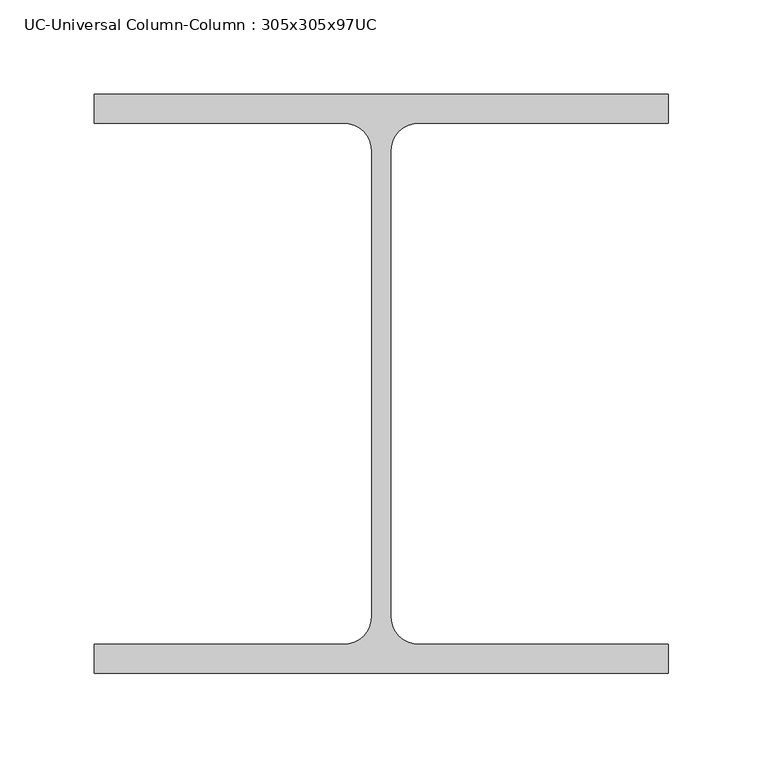
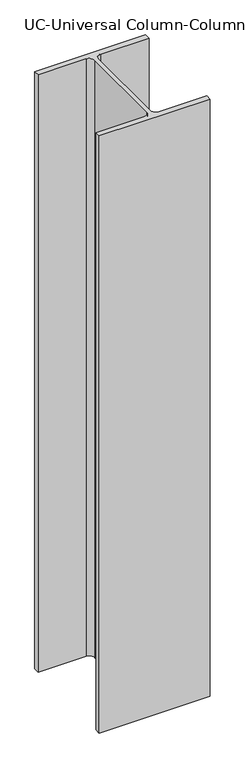
"""IFC4 building model written with IfcOpenShell, lengths in millimetres: column geometry, UC-Universal Column-Column : 305x305x97UC."""

from ifc_helpers import new_model, si_unit, point, frame, frame_2d, origin, place, context, project, spatial, polyline, circle_curve, trimmed, segment, composite_curve, outline, extrude, source, transform, mapped, element, save


def uc_universal_column_column_305x305x97uc_b889b99e(model_context):
    return source(origin(), model_context, "Body", "SweptSolid", [
        extrude(outline(composite_curve([segment(polyline([(152.65, 153.95), (152.65, 138.55), (20.15, 138.55)]), True, "CONTINUOUS"), segment(trimmed(circle_curve(frame_2d((20.15, 123.35)), 15.2), [point((20.15, 138.55))], [point((4.95, 123.35))], True, "CARTESIAN"), True, "CONTINUOUS"), segment(polyline([(4.95, 123.35), (4.95, -123.35)]), True, "CONTINUOUS"), segment(trimmed(circle_curve(frame_2d((20.15, -123.35)), 15.2), [point((4.95, -123.35))], [point((20.15, -138.55))], True, "CARTESIAN"), True, "CONTINUOUS"), segment(polyline([(20.15, -138.55), (152.65, -138.55), (152.65, -153.95), (-152.65, -153.95), (-152.65, -138.55), (-20.15, -138.55)]), True, "CONTINUOUS"), segment(trimmed(circle_curve(frame_2d((-20.15, -123.35)), 15.2), [point((-20.15, -138.55))], [point((-4.95, -123.35))], True, "CARTESIAN"), True, "CONTINUOUS"), segment(polyline([(-4.95, -123.35), (-4.95, 123.35)]), True, "CONTINUOUS"), segment(trimmed(circle_curve(frame_2d((-20.15, 123.35)), 15.2), [point((-4.95, 123.35))], [point((-20.15, 138.55))], True, "CARTESIAN"), True, "CONTINUOUS"), segment(polyline([(-20.15, 138.55), (-152.65, 138.55), (-152.65, 153.95), (152.65, 153.95)]), True, "CONTINUOUS")], self_intersect=False)), frame((0.0, 0.0, 12962.0), z_axis=(0.0, 0.0, 1.0), x_axis=(1.0, 0.0, 0.0)), (0.0, 0.0, 1.0), 1738.0),
    ])


if __name__ == "__main__":
    model = new_model("IFC4")
    model_context = context("Model", 3, world=origin())
    ifc_project = project(units=[si_unit("LENGTHUNIT", "METRE", prefix="MILLI")], contexts=[model_context])
    site = spatial("IfcSite", under=ifc_project)
    building = spatial("IfcBuilding", under=site)
    placement = place(None, origin())
    uc_universal_column_column_305x305x97uc_shape = uc_universal_column_column_305x305x97uc_b889b99e(model_context)
    element("IfcColumn", 1, ObjectType="UC-Universal Column-Column : 305x305x97UC", at=placement, inside=building, context=model_context, shape_type="MappedRepresentation", body=[
        mapped(uc_universal_column_column_305x305x97uc_shape, transform((0.0, 0.0, 0.0), x_axis=(1.0, 0.0, 0.0), y_axis=(0.0, 1.0, 0.0), z_axis=(0.0, 0.0, 1.0))),
    ])
    save(model, "model.ifc")
